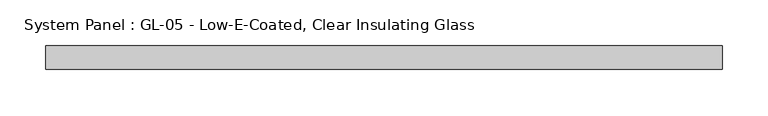
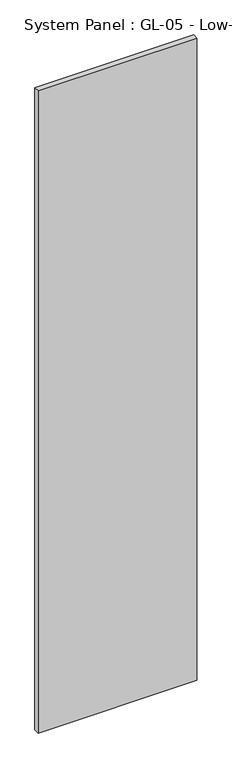
"""IFC4 building model written with IfcOpenShell, lengths in millimetres: plate geometry, System Panel : GL-05 - Low-E-Coated, Clear Insulating Glass."""

from ifc_helpers import new_model, si_unit, origin, origin_with_axes, place, context, project, spatial, polyline, outline, extrude, source, transform, mapped, element, save


def system_panel_gl_05_low_e_coated_clear_insulating_glass_3df9682a(model_context):
    return source(origin(), model_context, "Body", "SweptSolid", [
        extrude(outline(polyline([(368.3, -12.7), (-368.3, -12.7), (-368.3, 12.7), (368.3, 12.7), (368.3, -12.7)])), origin_with_axes(), (0.0, 0.0, 1.0), 3149.6),
    ])


if __name__ == "__main__":
    model = new_model("IFC4")
    model_context = context("Model", 3, world=origin())
    ifc_project = project(units=[si_unit("LENGTHUNIT", "METRE", prefix="MILLI")], contexts=[model_context])
    site = spatial("IfcSite", under=ifc_project)
    building = spatial("IfcBuilding", under=site)
    placement = place(None, origin())
    system_panel_gl_05_low_e_coated_clear_insulating_glass_shape = system_panel_gl_05_low_e_coated_clear_insulating_glass_3df9682a(model_context)
    element("IfcPlate", 1, ObjectType="System Panel : GL-05 - Low-E-Coated, Clear Insulating Glass", at=placement, inside=building, context=model_context, shape_type="MappedRepresentation", body=[
        mapped(system_panel_gl_05_low_e_coated_clear_insulating_glass_shape, transform((0.0, 0.0, 0.0), x_axis=(1.0, 0.0, 0.0), y_axis=(0.0, 1.0, 0.0), z_axis=(0.0, 0.0, 1.0))),
    ])
    save(model, "model.ifc")
